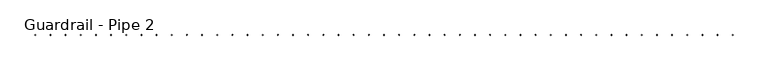
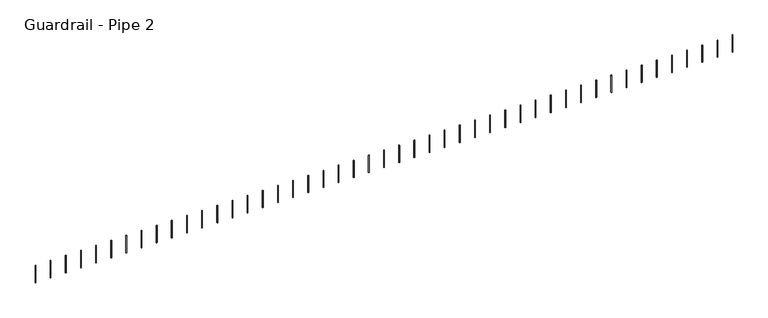
"""IFC4 building model written with IfcOpenShell, lengths in millimetres: railing geometry, Guardrail - Pipe 2."""

from ifc_helpers import new_model, si_unit, point, frame, frame_2d, origin, place, context, project, spatial, circle_curve, trimmed, segment, composite_curve, outline, extrude, source, transform, mapped, element, save


def guardrail_pipe_2_d942bd23(model_context):
    return source(origin(), model_context, "Body", "SweptSolid", [
        extrude(outline(composite_curve([segment(trimmed(circle_curve(frame_2d((618430.2379835, -295021.8080223)), 12.7), [point((618430.2379835, -295009.1080223))], [point((618430.2379835, -295034.5080223))], False, "CARTESIAN"), True, "CONTINUOUS"), segment(trimmed(circle_curve(frame_2d((618430.2379835, -295021.8080223)), 12.7), [point((618430.2379835, -295034.5080223))], [point((618430.2379835, -295009.1080223))], False, "CARTESIAN"), True, "CONTINUOUS")], self_intersect=False)), frame((0.0, 0.0, 4267.2), z_axis=(0.0, 0.0, 1.0), x_axis=(1.0, 0.0, 0.0)), (0.0, 0.0, 1.0), 723.9),
        extrude(outline(composite_curve([segment(trimmed(circle_curve(frame_2d((617820.6379835, -295021.8080223)), 12.7), [point((617820.6379835, -295009.1080223))], [point((617820.6379835, -295034.5080223))], False, "CARTESIAN"), True, "CONTINUOUS"), segment(trimmed(circle_curve(frame_2d((617820.6379835, -295021.8080223)), 12.7), [point((617820.6379835, -295034.5080223))], [point((617820.6379835, -295009.1080223))], False, "CARTESIAN"), True, "CONTINUOUS")], self_intersect=False)), frame((0.0, 0.0, 4267.2), z_axis=(0.0, 0.0, 1.0), x_axis=(1.0, 0.0, 0.0)), (0.0, 0.0, 1.0), 723.9),
        extrude(outline(composite_curve([segment(trimmed(circle_curve(frame_2d((617211.0379835, -295021.8080223)), 12.7), [point((617211.0379835, -295009.1080223))], [point((617211.0379835, -295034.5080223))], False, "CARTESIAN"), True, "CONTINUOUS"), segment(trimmed(circle_curve(frame_2d((617211.0379835, -295021.8080223)), 12.7), [point((617211.0379835, -295034.5080223))], [point((617211.0379835, -295009.1080223))], False, "CARTESIAN"), True, "CONTINUOUS")], self_intersect=False)), frame((0.0, 0.0, 4267.2), z_axis=(0.0, 0.0, 1.0), x_axis=(1.0, 0.0, 0.0)), (0.0, 0.0, 1.0), 723.9),
        extrude(outline(composite_curve([segment(trimmed(circle_curve(frame_2d((616601.4379835, -295021.8080223)), 12.7), [point((616601.4379835, -295009.1080223))], [point((616601.4379835, -295034.5080223))], False, "CARTESIAN"), True, "CONTINUOUS"), segment(trimmed(circle_curve(frame_2d((616601.4379835, -295021.8080223)), 12.7), [point((616601.4379835, -295034.5080223))], [point((616601.4379835, -295009.1080223))], False, "CARTESIAN"), True, "CONTINUOUS")], self_intersect=False)), frame((0.0, 0.0, 4267.2), z_axis=(0.0, 0.0, 1.0), x_axis=(1.0, 0.0, 0.0)), (0.0, 0.0, 1.0), 723.9),
        extrude(outline(composite_curve([segment(trimmed(circle_curve(frame_2d((615991.8379835, -295021.8080223)), 12.7), [point((615991.8379835, -295009.1080223))], [point((615991.8379835, -295034.5080223))], False, "CARTESIAN"), True, "CONTINUOUS"), segment(trimmed(circle_curve(frame_2d((615991.8379835, -295021.8080223)), 12.7), [point((615991.8379835, -295034.5080223))], [point((615991.8379835, -295009.1080223))], False, "CARTESIAN"), True, "CONTINUOUS")], self_intersect=False)), frame((0.0, 0.0, 4267.2), z_axis=(0.0, 0.0, 1.0), x_axis=(1.0, 0.0, 0.0)), (0.0, 0.0, 1.0), 723.9),
        extrude(outline(composite_curve([segment(trimmed(circle_curve(frame_2d((615382.2379835, -295021.8080223)), 12.7), [point((615382.2379835, -295009.1080223))], [point((615382.2379835, -295034.5080223))], False, "CARTESIAN"), True, "CONTINUOUS"), segment(trimmed(circle_curve(frame_2d((615382.2379835, -295021.8080223)), 12.7), [point((615382.2379835, -295034.5080223))], [point((615382.2379835, -295009.1080223))], False, "CARTESIAN"), True, "CONTINUOUS")], self_intersect=False)), frame((0.0, 0.0, 4267.2), z_axis=(0.0, 0.0, 1.0), x_axis=(1.0, 0.0, 0.0)), (0.0, 0.0, 1.0), 723.9),
        extrude(outline(composite_curve([segment(trimmed(circle_curve(frame_2d((614772.6379835, -295021.8080223)), 12.7), [point((614772.6379835, -295009.1080223))], [point((614772.6379835, -295034.5080223))], False, "CARTESIAN"), True, "CONTINUOUS"), segment(trimmed(circle_curve(frame_2d((614772.6379835, -295021.8080223)), 12.7), [point((614772.6379835, -295034.5080223))], [point((614772.6379835, -295009.1080223))], False, "CARTESIAN"), True, "CONTINUOUS")], self_intersect=False)), frame((0.0, 0.0, 4267.2), z_axis=(0.0, 0.0, 1.0), x_axis=(1.0, 0.0, 0.0)), (0.0, 0.0, 1.0), 723.9),
        extrude(outline(composite_curve([segment(trimmed(circle_curve(frame_2d((614163.0379835, -295021.8080223)), 12.7), [point((614163.0379835, -295009.1080223))], [point((614163.0379835, -295034.5080223))], False, "CARTESIAN"), True, "CONTINUOUS"), segment(trimmed(circle_curve(frame_2d((614163.0379835, -295021.8080223)), 12.7), [point((614163.0379835, -295034.5080223))], [point((614163.0379835, -295009.1080223))], False, "CARTESIAN"), True, "CONTINUOUS")], self_intersect=False)), frame((0.0, 0.0, 4267.2), z_axis=(0.0, 0.0, 1.0), x_axis=(1.0, 0.0, 0.0)), (0.0, 0.0, 1.0), 723.9),
        extrude(outline(composite_curve([segment(trimmed(circle_curve(frame_2d((613553.4379835, -295021.8080223)), 12.7), [point((613553.4379835, -295009.1080223))], [point((613553.4379835, -295034.5080223))], False, "CARTESIAN"), True, "CONTINUOUS"), segment(trimmed(circle_curve(frame_2d((613553.4379835, -295021.8080223)), 12.7), [point((613553.4379835, -295034.5080223))], [point((613553.4379835, -295009.1080223))], False, "CARTESIAN"), True, "CONTINUOUS")], self_intersect=False)), frame((0.0, 0.0, 4267.2), z_axis=(0.0, 0.0, 1.0), x_axis=(1.0, 0.0, 0.0)), (0.0, 0.0, 1.0), 723.9),
        extrude(outline(composite_curve([segment(trimmed(circle_curve(frame_2d((612943.8379835, -295021.8080223)), 12.7), [point((612943.8379835, -295009.1080223))], [point((612943.8379835, -295034.5080223))], False, "CARTESIAN"), True, "CONTINUOUS"), segment(trimmed(circle_curve(frame_2d((612943.8379835, -295021.8080223)), 12.7), [point((612943.8379835, -295034.5080223))], [point((612943.8379835, -295009.1080223))], False, "CARTESIAN"), True, "CONTINUOUS")], self_intersect=False)), frame((0.0, 0.0, 4267.2), z_axis=(0.0, 0.0, 1.0), x_axis=(1.0, 0.0, 0.0)), (0.0, 0.0, 1.0), 723.9),
        extrude(outline(composite_curve([segment(trimmed(circle_curve(frame_2d((612334.2379835, -295021.8080223)), 12.7), [point((612334.2379835, -295009.1080223))], [point((612334.2379835, -295034.5080223))], False, "CARTESIAN"), True, "CONTINUOUS"), segment(trimmed(circle_curve(frame_2d((612334.2379835, -295021.8080223)), 12.7), [point((612334.2379835, -295034.5080223))], [point((612334.2379835, -295009.1080223))], False, "CARTESIAN"), True, "CONTINUOUS")], self_intersect=False)), frame((0.0, 0.0, 4267.2), z_axis=(0.0, 0.0, 1.0), x_axis=(1.0, 0.0, 0.0)), (0.0, 0.0, 1.0), 723.9),
        extrude(outline(composite_curve([segment(trimmed(circle_curve(frame_2d((611724.6379835, -295021.8080223)), 12.7), [point((611724.6379835, -295009.1080223))], [point((611724.6379835, -295034.5080223))], False, "CARTESIAN"), True, "CONTINUOUS"), segment(trimmed(circle_curve(frame_2d((611724.6379835, -295021.8080223)), 12.7), [point((611724.6379835, -295034.5080223))], [point((611724.6379835, -295009.1080223))], False, "CARTESIAN"), True, "CONTINUOUS")], self_intersect=False)), frame((0.0, 0.0, 4267.2), z_axis=(0.0, 0.0, 1.0), x_axis=(1.0, 0.0, 0.0)), (0.0, 0.0, 1.0), 723.9),
        extrude(outline(composite_curve([segment(trimmed(circle_curve(frame_2d((611115.0379835, -295021.8080223)), 12.7), [point((611115.0379835, -295009.1080223))], [point((611115.0379835, -295034.5080223))], False, "CARTESIAN"), True, "CONTINUOUS"), segment(trimmed(circle_curve(frame_2d((611115.0379835, -295021.8080223)), 12.7), [point((611115.0379835, -295034.5080223))], [point((611115.0379835, -295009.1080223))], False, "CARTESIAN"), True, "CONTINUOUS")], self_intersect=False)), frame((0.0, 0.0, 4267.2), z_axis=(0.0, 0.0, 1.0), x_axis=(1.0, 0.0, 0.0)), (0.0, 0.0, 1.0), 723.9),
        extrude(outline(composite_curve([segment(trimmed(circle_curve(frame_2d((610505.4379835, -295021.8080223)), 12.7), [point((610505.4379835, -295009.1080223))], [point((610505.4379835, -295034.5080223))], False, "CARTESIAN"), True, "CONTINUOUS"), segment(trimmed(circle_curve(frame_2d((610505.4379835, -295021.8080223)), 12.7), [point((610505.4379835, -295034.5080223))], [point((610505.4379835, -295009.1080223))], False, "CARTESIAN"), True, "CONTINUOUS")], self_intersect=False)), frame((0.0, 0.0, 4267.2), z_axis=(0.0, 0.0, 1.0), x_axis=(1.0, 0.0, 0.0)), (0.0, 0.0, 1.0), 723.9),
        extrude(outline(composite_curve([segment(trimmed(circle_curve(frame_2d((609895.8379835, -295021.8080223)), 12.7), [point((609895.8379835, -295009.1080223))], [point((609895.8379835, -295034.5080223))], False, "CARTESIAN"), True, "CONTINUOUS"), segment(trimmed(circle_curve(frame_2d((609895.8379835, -295021.8080223)), 12.7), [point((609895.8379835, -295034.5080223))], [point((609895.8379835, -295009.1080223))], False, "CARTESIAN"), True, "CONTINUOUS")], self_intersect=False)), frame((0.0, 0.0, 4267.2), z_axis=(0.0, 0.0, 1.0), x_axis=(1.0, 0.0, 0.0)), (0.0, 0.0, 1.0), 723.9),
        extrude(outline(composite_curve([segment(trimmed(circle_curve(frame_2d((609286.2379835, -295021.8080223)), 12.7), [point((609286.2379835, -295009.1080223))], [point((609286.2379835, -295034.5080223))], False, "CARTESIAN"), True, "CONTINUOUS"), segment(trimmed(circle_curve(frame_2d((609286.2379835, -295021.8080223)), 12.7), [point((609286.2379835, -295034.5080223))], [point((609286.2379835, -295009.1080223))], False, "CARTESIAN"), True, "CONTINUOUS")], self_intersect=False)), frame((0.0, 0.0, 4267.2), z_axis=(0.0, 0.0, 1.0), x_axis=(1.0, 0.0, 0.0)), (0.0, 0.0, 1.0), 723.9),
        extrude(outline(composite_curve([segment(trimmed(circle_curve(frame_2d((608676.6379835, -295021.8080223)), 12.7), [point((608676.6379835, -295009.1080223))], [point((608676.6379835, -295034.5080223))], False, "CARTESIAN"), True, "CONTINUOUS"), segment(trimmed(circle_curve(frame_2d((608676.6379835, -295021.8080223)), 12.7), [point((608676.6379835, -295034.5080223))], [point((608676.6379835, -295009.1080223))], False, "CARTESIAN"), True, "CONTINUOUS")], self_intersect=False)), frame((0.0, 0.0, 4267.2), z_axis=(0.0, 0.0, 1.0), x_axis=(1.0, 0.0, 0.0)), (0.0, 0.0, 1.0), 723.9),
        extrude(outline(composite_curve([segment(trimmed(circle_curve(frame_2d((608067.0379835, -295021.8080223)), 12.7), [point((608067.0379835, -295009.1080223))], [point((608067.0379835, -295034.5080223))], False, "CARTESIAN"), True, "CONTINUOUS"), segment(trimmed(circle_curve(frame_2d((608067.0379835, -295021.8080223)), 12.7), [point((608067.0379835, -295034.5080223))], [point((608067.0379835, -295009.1080223))], False, "CARTESIAN"), True, "CONTINUOUS")], self_intersect=False)), frame((0.0, 0.0, 4267.2), z_axis=(0.0, 0.0, 1.0), x_axis=(1.0, 0.0, 0.0)), (0.0, 0.0, 1.0), 723.9),
        extrude(outline(composite_curve([segment(trimmed(circle_curve(frame_2d((607457.4379835, -295021.8080223)), 12.7), [point((607457.4379835, -295009.1080223))], [point((607457.4379835, -295034.5080223))], False, "CARTESIAN"), True, "CONTINUOUS"), segment(trimmed(circle_curve(frame_2d((607457.4379835, -295021.8080223)), 12.7), [point((607457.4379835, -295034.5080223))], [point((607457.4379835, -295009.1080223))], False, "CARTESIAN"), True, "CONTINUOUS")], self_intersect=False)), frame((0.0, 0.0, 4267.2), z_axis=(0.0, 0.0, 1.0), x_axis=(1.0, 0.0, 0.0)), (0.0, 0.0, 1.0), 723.9),
        extrude(outline(composite_curve([segment(trimmed(circle_curve(frame_2d((606847.8379835, -295021.8080223)), 12.7), [point((606847.8379835, -295009.1080223))], [point((606847.8379835, -295034.5080223))], False, "CARTESIAN"), True, "CONTINUOUS"), segment(trimmed(circle_curve(frame_2d((606847.8379835, -295021.8080223)), 12.7), [point((606847.8379835, -295034.5080223))], [point((606847.8379835, -295009.1080223))], False, "CARTESIAN"), True, "CONTINUOUS")], self_intersect=False)), frame((0.0, 0.0, 4267.2), z_axis=(0.0, 0.0, 1.0), x_axis=(1.0, 0.0, 0.0)), (0.0, 0.0, 1.0), 723.9),
        extrude(outline(composite_curve([segment(trimmed(circle_curve(frame_2d((606238.2379835, -295021.8080223)), 12.7), [point((606238.2379835, -295009.1080223))], [point((606238.2379835, -295034.5080223))], False, "CARTESIAN"), True, "CONTINUOUS"), segment(trimmed(circle_curve(frame_2d((606238.2379835, -295021.8080223)), 12.7), [point((606238.2379835, -295034.5080223))], [point((606238.2379835, -295009.1080223))], False, "CARTESIAN"), True, "CONTINUOUS")], self_intersect=False)), frame((0.0, 0.0, 4267.2), z_axis=(0.0, 0.0, 1.0), x_axis=(1.0, 0.0, 0.0)), (0.0, 0.0, 1.0), 723.9),
        extrude(outline(composite_curve([segment(trimmed(circle_curve(frame_2d((605628.6379835, -295021.8080223)), 12.7), [point((605628.6379835, -295009.1080223))], [point((605628.6379835, -295034.5080223))], False, "CARTESIAN"), True, "CONTINUOUS"), segment(trimmed(circle_curve(frame_2d((605628.6379835, -295021.8080223)), 12.7), [point((605628.6379835, -295034.5080223))], [point((605628.6379835, -295009.1080223))], False, "CARTESIAN"), True, "CONTINUOUS")], self_intersect=False)), frame((0.0, 0.0, 4267.2), z_axis=(0.0, 0.0, 1.0), x_axis=(1.0, 0.0, 0.0)), (0.0, 0.0, 1.0), 723.9),
        extrude(outline(composite_curve([segment(trimmed(circle_curve(frame_2d((605019.0379835, -295021.8080223)), 12.7), [point((605019.0379835, -295009.1080223))], [point((605019.0379835, -295034.5080223))], False, "CARTESIAN"), True, "CONTINUOUS"), segment(trimmed(circle_curve(frame_2d((605019.0379835, -295021.8080223)), 12.7), [point((605019.0379835, -295034.5080223))], [point((605019.0379835, -295009.1080223))], False, "CARTESIAN"), True, "CONTINUOUS")], self_intersect=False)), frame((0.0, 0.0, 4267.2), z_axis=(0.0, 0.0, 1.0), x_axis=(1.0, 0.0, 0.0)), (0.0, 0.0, 1.0), 723.9),
        extrude(outline(composite_curve([segment(trimmed(circle_curve(frame_2d((604409.4379835, -295021.8080223)), 12.7), [point((604409.4379835, -295009.1080223))], [point((604409.4379835, -295034.5080223))], False, "CARTESIAN"), True, "CONTINUOUS"), segment(trimmed(circle_curve(frame_2d((604409.4379835, -295021.8080223)), 12.7), [point((604409.4379835, -295034.5080223))], [point((604409.4379835, -295009.1080223))], False, "CARTESIAN"), True, "CONTINUOUS")], self_intersect=False)), frame((0.0, 0.0, 4267.2), z_axis=(0.0, 0.0, 1.0), x_axis=(1.0, 0.0, 0.0)), (0.0, 0.0, 1.0), 723.9),
        extrude(outline(composite_curve([segment(trimmed(circle_curve(frame_2d((603799.8379835, -295021.8080223)), 12.7), [point((603799.8379835, -295009.1080223))], [point((603799.8379835, -295034.5080223))], False, "CARTESIAN"), True, "CONTINUOUS"), segment(trimmed(circle_curve(frame_2d((603799.8379835, -295021.8080223)), 12.7), [point((603799.8379835, -295034.5080223))], [point((603799.8379835, -295009.1080223))], False, "CARTESIAN"), True, "CONTINUOUS")], self_intersect=False)), frame((0.0, 0.0, 4267.2), z_axis=(0.0, 0.0, 1.0), x_axis=(1.0, 0.0, 0.0)), (0.0, 0.0, 1.0), 723.9),
        extrude(outline(composite_curve([segment(trimmed(circle_curve(frame_2d((603190.2379835, -295021.8080223)), 12.7), [point((603190.2379835, -295009.1080223))], [point((603190.2379835, -295034.5080223))], False, "CARTESIAN"), True, "CONTINUOUS"), segment(trimmed(circle_curve(frame_2d((603190.2379835, -295021.8080223)), 12.7), [point((603190.2379835, -295034.5080223))], [point((603190.2379835, -295009.1080223))], False, "CARTESIAN"), True, "CONTINUOUS")], self_intersect=False)), frame((0.0, 0.0, 4267.2), z_axis=(0.0, 0.0, 1.0), x_axis=(1.0, 0.0, 0.0)), (0.0, 0.0, 1.0), 723.9),
        extrude(outline(composite_curve([segment(trimmed(circle_curve(frame_2d((602580.6379835, -295021.8080223)), 12.7), [point((602580.6379835, -295009.1080223))], [point((602580.6379835, -295034.5080223))], False, "CARTESIAN"), True, "CONTINUOUS"), segment(trimmed(circle_curve(frame_2d((602580.6379835, -295021.8080223)), 12.7), [point((602580.6379835, -295034.5080223))], [point((602580.6379835, -295009.1080223))], False, "CARTESIAN"), True, "CONTINUOUS")], self_intersect=False)), frame((0.0, 0.0, 4267.2), z_axis=(0.0, 0.0, 1.0), x_axis=(1.0, 0.0, 0.0)), (0.0, 0.0, 1.0), 723.9),
        extrude(outline(composite_curve([segment(trimmed(circle_curve(frame_2d((601971.0379835, -295021.8080223)), 12.7), [point((601971.0379835, -295009.1080223))], [point((601971.0379835, -295034.5080223))], False, "CARTESIAN"), True, "CONTINUOUS"), segment(trimmed(circle_curve(frame_2d((601971.0379835, -295021.8080223)), 12.7), [point((601971.0379835, -295034.5080223))], [point((601971.0379835, -295009.1080223))], False, "CARTESIAN"), True, "CONTINUOUS")], self_intersect=False)), frame((0.0, 0.0, 4267.2), z_axis=(0.0, 0.0, 1.0), x_axis=(1.0, 0.0, 0.0)), (0.0, 0.0, 1.0), 723.9),
        extrude(outline(composite_curve([segment(trimmed(circle_curve(frame_2d((601361.4379835, -295021.8080223)), 12.7), [point((601361.4379835, -295009.1080223))], [point((601361.4379835, -295034.5080223))], False, "CARTESIAN"), True, "CONTINUOUS"), segment(trimmed(circle_curve(frame_2d((601361.4379835, -295021.8080223)), 12.7), [point((601361.4379835, -295034.5080223))], [point((601361.4379835, -295009.1080223))], False, "CARTESIAN"), True, "CONTINUOUS")], self_intersect=False)), frame((0.0, 0.0, 4267.2), z_axis=(0.0, 0.0, 1.0), x_axis=(1.0, 0.0, 0.0)), (0.0, 0.0, 1.0), 723.9),
        extrude(outline(composite_curve([segment(trimmed(circle_curve(frame_2d((600751.8379835, -295021.8080223)), 12.7), [point((600751.8379835, -295009.1080223))], [point((600751.8379835, -295034.5080223))], False, "CARTESIAN"), True, "CONTINUOUS"), segment(trimmed(circle_curve(frame_2d((600751.8379835, -295021.8080223)), 12.7), [point((600751.8379835, -295034.5080223))], [point((600751.8379835, -295009.1080223))], False, "CARTESIAN"), True, "CONTINUOUS")], self_intersect=False)), frame((0.0, 0.0, 4267.2), z_axis=(0.0, 0.0, 1.0), x_axis=(1.0, 0.0, 0.0)), (0.0, 0.0, 1.0), 723.9),
        extrude(outline(composite_curve([segment(trimmed(circle_curve(frame_2d((600142.2379835, -295021.8080223)), 12.7), [point((600142.2379835, -295009.1080223))], [point((600142.2379835, -295034.5080223))], False, "CARTESIAN"), True, "CONTINUOUS"), segment(trimmed(circle_curve(frame_2d((600142.2379835, -295021.8080223)), 12.7), [point((600142.2379835, -295034.5080223))], [point((600142.2379835, -295009.1080223))], False, "CARTESIAN"), True, "CONTINUOUS")], self_intersect=False)), frame((0.0, 0.0, 4267.2), z_axis=(0.0, 0.0, 1.0), x_axis=(1.0, 0.0, 0.0)), (0.0, 0.0, 1.0), 723.9),
        extrude(outline(composite_curve([segment(trimmed(circle_curve(frame_2d((599532.6379835, -295021.8080223)), 12.7), [point((599532.6379835, -295009.1080223))], [point((599532.6379835, -295034.5080223))], False, "CARTESIAN"), True, "CONTINUOUS"), segment(trimmed(circle_curve(frame_2d((599532.6379835, -295021.8080223)), 12.7), [point((599532.6379835, -295034.5080223))], [point((599532.6379835, -295009.1080223))], False, "CARTESIAN"), True, "CONTINUOUS")], self_intersect=False)), frame((0.0, 0.0, 4267.2), z_axis=(0.0, 0.0, 1.0), x_axis=(1.0, 0.0, 0.0)), (0.0, 0.0, 1.0), 723.9),
        extrude(outline(composite_curve([segment(trimmed(circle_curve(frame_2d((598923.0379835, -295021.8080223)), 12.7), [point((598923.0379835, -295009.1080223))], [point((598923.0379835, -295034.5080223))], False, "CARTESIAN"), True, "CONTINUOUS"), segment(trimmed(circle_curve(frame_2d((598923.0379835, -295021.8080223)), 12.7), [point((598923.0379835, -295034.5080223))], [point((598923.0379835, -295009.1080223))], False, "CARTESIAN"), True, "CONTINUOUS")], self_intersect=False)), frame((0.0, 0.0, 4267.2), z_axis=(0.0, 0.0, 1.0), x_axis=(1.0, 0.0, 0.0)), (0.0, 0.0, 1.0), 723.9),
        extrude(outline(composite_curve([segment(trimmed(circle_curve(frame_2d((598313.4379835, -295021.8080223)), 12.7), [point((598313.4379835, -295009.1080223))], [point((598313.4379835, -295034.5080223))], False, "CARTESIAN"), True, "CONTINUOUS"), segment(trimmed(circle_curve(frame_2d((598313.4379835, -295021.8080223)), 12.7), [point((598313.4379835, -295034.5080223))], [point((598313.4379835, -295009.1080223))], False, "CARTESIAN"), True, "CONTINUOUS")], self_intersect=False)), frame((0.0, 0.0, 4267.2), z_axis=(0.0, 0.0, 1.0), x_axis=(1.0, 0.0, 0.0)), (0.0, 0.0, 1.0), 723.9),
        extrude(outline(composite_curve([segment(trimmed(circle_curve(frame_2d((597703.8379835, -295021.8080223)), 12.7), [point((597703.8379835, -295009.1080223))], [point((597703.8379835, -295034.5080223))], False, "CARTESIAN"), True, "CONTINUOUS"), segment(trimmed(circle_curve(frame_2d((597703.8379835, -295021.8080223)), 12.7), [point((597703.8379835, -295034.5080223))], [point((597703.8379835, -295009.1080223))], False, "CARTESIAN"), True, "CONTINUOUS")], self_intersect=False)), frame((0.0, 0.0, 4267.2), z_axis=(0.0, 0.0, 1.0), x_axis=(1.0, 0.0, 0.0)), (0.0, 0.0, 1.0), 723.9),
        extrude(outline(composite_curve([segment(trimmed(circle_curve(frame_2d((597094.2379835, -295021.8080223)), 12.7), [point((597094.2379835, -295009.1080223))], [point((597094.2379835, -295034.5080223))], False, "CARTESIAN"), True, "CONTINUOUS"), segment(trimmed(circle_curve(frame_2d((597094.2379835, -295021.8080223)), 12.7), [point((597094.2379835, -295034.5080223))], [point((597094.2379835, -295009.1080223))], False, "CARTESIAN"), True, "CONTINUOUS")], self_intersect=False)), frame((0.0, 0.0, 4267.2), z_axis=(0.0, 0.0, 1.0), x_axis=(1.0, 0.0, 0.0)), (0.0, 0.0, 1.0), 723.9),
        extrude(outline(composite_curve([segment(trimmed(circle_curve(frame_2d((596484.6379835, -295021.8080223)), 12.7), [point((596484.6379835, -295009.1080223))], [point((596484.6379835, -295034.5080223))], False, "CARTESIAN"), True, "CONTINUOUS"), segment(trimmed(circle_curve(frame_2d((596484.6379835, -295021.8080223)), 12.7), [point((596484.6379835, -295034.5080223))], [point((596484.6379835, -295009.1080223))], False, "CARTESIAN"), True, "CONTINUOUS")], self_intersect=False)), frame((0.0, 0.0, 4267.2), z_axis=(0.0, 0.0, 1.0), x_axis=(1.0, 0.0, 0.0)), (0.0, 0.0, 1.0), 723.9),
        extrude(outline(composite_curve([segment(trimmed(circle_curve(frame_2d((595875.0379835, -295021.8080223)), 12.7), [point((595875.0379835, -295009.1080223))], [point((595875.0379835, -295034.5080223))], False, "CARTESIAN"), True, "CONTINUOUS"), segment(trimmed(circle_curve(frame_2d((595875.0379835, -295021.8080223)), 12.7), [point((595875.0379835, -295034.5080223))], [point((595875.0379835, -295009.1080223))], False, "CARTESIAN"), True, "CONTINUOUS")], self_intersect=False)), frame((0.0, 0.0, 4267.2), z_axis=(0.0, 0.0, 1.0), x_axis=(1.0, 0.0, 0.0)), (0.0, 0.0, 1.0), 723.9),
        extrude(outline(composite_curve([segment(trimmed(circle_curve(frame_2d((595265.4379835, -295021.8080223)), 12.7), [point((595265.4379835, -295009.1080223))], [point((595265.4379835, -295034.5080223))], False, "CARTESIAN"), True, "CONTINUOUS"), segment(trimmed(circle_curve(frame_2d((595265.4379835, -295021.8080223)), 12.7), [point((595265.4379835, -295034.5080223))], [point((595265.4379835, -295009.1080223))], False, "CARTESIAN"), True, "CONTINUOUS")], self_intersect=False)), frame((0.0, 0.0, 4267.2), z_axis=(0.0, 0.0, 1.0), x_axis=(1.0, 0.0, 0.0)), (0.0, 0.0, 1.0), 723.9),
        extrude(outline(composite_curve([segment(trimmed(circle_curve(frame_2d((594655.8379835, -295021.8080223)), 12.7), [point((594655.8379835, -295009.1080223))], [point((594655.8379835, -295034.5080223))], False, "CARTESIAN"), True, "CONTINUOUS"), segment(trimmed(circle_curve(frame_2d((594655.8379835, -295021.8080223)), 12.7), [point((594655.8379835, -295034.5080223))], [point((594655.8379835, -295009.1080223))], False, "CARTESIAN"), True, "CONTINUOUS")], self_intersect=False)), frame((0.0, 0.0, 4267.2), z_axis=(0.0, 0.0, 1.0), x_axis=(1.0, 0.0, 0.0)), (0.0, 0.0, 1.0), 723.9),
        extrude(outline(composite_curve([segment(trimmed(circle_curve(frame_2d((594046.2379835, -295021.8080223)), 12.7), [point((594046.2379835, -295009.1080223))], [point((594046.2379835, -295034.5080223))], False, "CARTESIAN"), True, "CONTINUOUS"), segment(trimmed(circle_curve(frame_2d((594046.2379835, -295021.8080223)), 12.7), [point((594046.2379835, -295034.5080223))], [point((594046.2379835, -295009.1080223))], False, "CARTESIAN"), True, "CONTINUOUS")], self_intersect=False)), frame((0.0, 0.0, 4267.2), z_axis=(0.0, 0.0, 1.0), x_axis=(1.0, 0.0, 0.0)), (0.0, 0.0, 1.0), 723.9),
        extrude(outline(composite_curve([segment(trimmed(circle_curve(frame_2d((593436.6379835, -295021.8080223)), 12.7), [point((593436.6379835, -295009.1080223))], [point((593436.6379835, -295034.5080223))], False, "CARTESIAN"), True, "CONTINUOUS"), segment(trimmed(circle_curve(frame_2d((593436.6379835, -295021.8080223)), 12.7), [point((593436.6379835, -295034.5080223))], [point((593436.6379835, -295009.1080223))], False, "CARTESIAN"), True, "CONTINUOUS")], self_intersect=False)), frame((0.0, 0.0, 4267.2), z_axis=(0.0, 0.0, 1.0), x_axis=(1.0, 0.0, 0.0)), (0.0, 0.0, 1.0), 723.9),
        extrude(outline(composite_curve([segment(trimmed(circle_curve(frame_2d((592827.0379835, -295021.8080223)), 12.7), [point((592827.0379835, -295009.1080223))], [point((592827.0379835, -295034.5080223))], False, "CARTESIAN"), True, "CONTINUOUS"), segment(trimmed(circle_curve(frame_2d((592827.0379835, -295021.8080223)), 12.7), [point((592827.0379835, -295034.5080223))], [point((592827.0379835, -295009.1080223))], False, "CARTESIAN"), True, "CONTINUOUS")], self_intersect=False)), frame((0.0, 0.0, 4267.2), z_axis=(0.0, 0.0, 1.0), x_axis=(1.0, 0.0, 0.0)), (0.0, 0.0, 1.0), 723.9),
        extrude(outline(composite_curve([segment(trimmed(circle_curve(frame_2d((592217.4379835, -295021.8080223)), 12.7), [point((592217.4379835, -295009.1080223))], [point((592217.4379835, -295034.5080223))], False, "CARTESIAN"), True, "CONTINUOUS"), segment(trimmed(circle_curve(frame_2d((592217.4379835, -295021.8080223)), 12.7), [point((592217.4379835, -295034.5080223))], [point((592217.4379835, -295009.1080223))], False, "CARTESIAN"), True, "CONTINUOUS")], self_intersect=False)), frame((0.0, 0.0, 4267.2), z_axis=(0.0, 0.0, 1.0), x_axis=(1.0, 0.0, 0.0)), (0.0, 0.0, 1.0), 723.9),
        extrude(outline(composite_curve([segment(trimmed(circle_curve(frame_2d((591607.8379835, -295021.8080223)), 12.7), [point((591607.8379835, -295009.1080223))], [point((591607.8379835, -295034.5080223))], False, "CARTESIAN"), True, "CONTINUOUS"), segment(trimmed(circle_curve(frame_2d((591607.8379835, -295021.8080223)), 12.7), [point((591607.8379835, -295034.5080223))], [point((591607.8379835, -295009.1080223))], False, "CARTESIAN"), True, "CONTINUOUS")], self_intersect=False)), frame((0.0, 0.0, 4267.2), z_axis=(0.0, 0.0, 1.0), x_axis=(1.0, 0.0, 0.0)), (0.0, 0.0, 1.0), 723.9),
        extrude(outline(composite_curve([segment(trimmed(circle_curve(frame_2d((590998.2379835, -295021.8080223)), 12.7), [point((590998.2379835, -295009.1080223))], [point((590998.2379835, -295034.5080223))], False, "CARTESIAN"), True, "CONTINUOUS"), segment(trimmed(circle_curve(frame_2d((590998.2379835, -295021.8080223)), 12.7), [point((590998.2379835, -295034.5080223))], [point((590998.2379835, -295009.1080223))], False, "CARTESIAN"), True, "CONTINUOUS")], self_intersect=False)), frame((0.0, 0.0, 4267.2), z_axis=(0.0, 0.0, 1.0), x_axis=(1.0, 0.0, 0.0)), (0.0, 0.0, 1.0), 723.9),
        extrude(outline(composite_curve([segment(trimmed(circle_curve(frame_2d((590388.6379835, -295021.8080223)), 12.7), [point((590388.6379835, -295009.1080223))], [point((590388.6379835, -295034.5080223))], False, "CARTESIAN"), True, "CONTINUOUS"), segment(trimmed(circle_curve(frame_2d((590388.6379835, -295021.8080223)), 12.7), [point((590388.6379835, -295034.5080223))], [point((590388.6379835, -295009.1080223))], False, "CARTESIAN"), True, "CONTINUOUS")], self_intersect=False)), frame((0.0, 0.0, 4267.2), z_axis=(0.0, 0.0, 1.0), x_axis=(1.0, 0.0, 0.0)), (0.0, 0.0, 1.0), 723.9),
    ])


if __name__ == "__main__":
    model = new_model("IFC4")
    model_context = context("Model", 3, world=origin())
    ifc_project = project(units=[si_unit("LENGTHUNIT", "METRE", prefix="MILLI")], contexts=[model_context])
    site = spatial("IfcSite", under=ifc_project)
    building = spatial("IfcBuilding", under=site)
    placement = place(None, origin())
    guardrail_pipe_2_shape = guardrail_pipe_2_d942bd23(model_context)
    element("IfcRailing", 1, ObjectType="Guardrail - Pipe 2", at=placement, inside=building, context=model_context, shape_type="MappedRepresentation", body=[
        mapped(guardrail_pipe_2_shape, transform((0.0, 0.0, 0.0), x_axis=(1.0, 0.0, 0.0), y_axis=(0.0, 1.0, 0.0), z_axis=(0.0, 0.0, 1.0))),
    ])
    save(model, "model.ifc")
